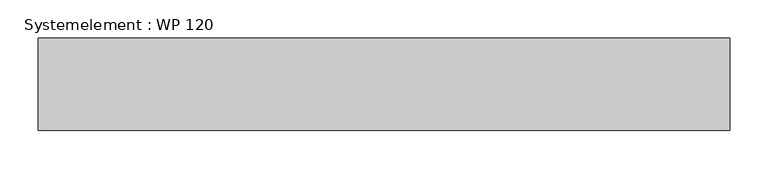
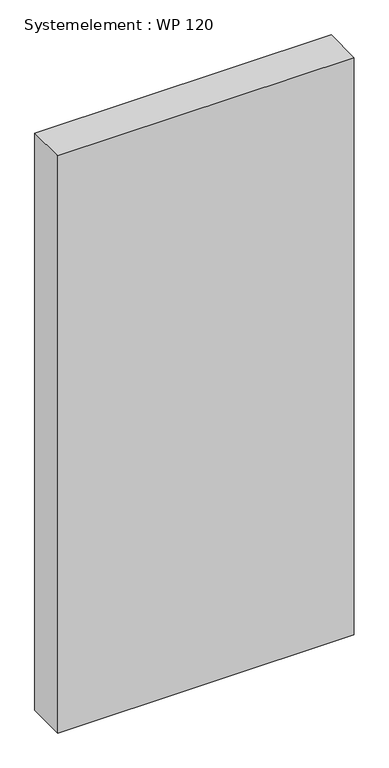
"""IFC4 building model written with IfcOpenShell, lengths in millimetres: plate geometry, Systemelement : WP 120."""

from ifc_helpers import new_model, si_unit, origin, origin_with_axes, place, context, project, spatial, polyline, outline, extrude, source, transform, mapped, element, save


def systemelement_wp_120_7ed819fe(model_context):
    return source(origin(), model_context, "Body", "SweptSolid", [
        extrude(outline(polyline([(450.0, -120.0), (-450.0, -120.0), (-450.0, 0.0), (450.0, 0.0), (450.0, -120.0)])), origin_with_axes(), (0.0, 0.0, 1.0), 1851.6147161),
    ])


if __name__ == "__main__":
    model = new_model("IFC4")
    model_context = context("Model", 3, world=origin())
    ifc_project = project(units=[si_unit("LENGTHUNIT", "METRE", prefix="MILLI")], contexts=[model_context])
    site = spatial("IfcSite", under=ifc_project)
    building = spatial("IfcBuilding", under=site)
    placement = place(None, origin())
    systemelement_wp_120_shape = systemelement_wp_120_7ed819fe(model_context)
    element("IfcPlate", 1, ObjectType="Systemelement : WP 120", at=placement, inside=building, context=model_context, shape_type="MappedRepresentation", body=[
        mapped(systemelement_wp_120_shape, transform((0.0, 0.0, 0.0), x_axis=(1.0, 0.0, 0.0), y_axis=(0.0, 1.0, 0.0), z_axis=(0.0, 0.0, 1.0))),
    ])
    save(model, "model.ifc")
